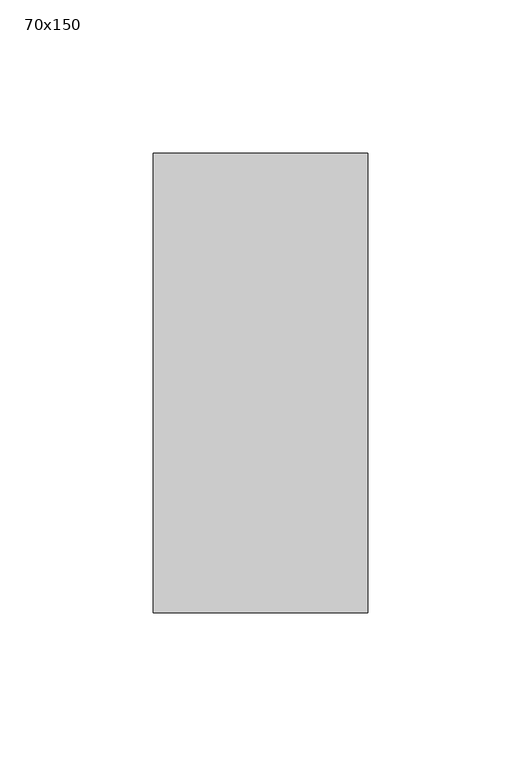
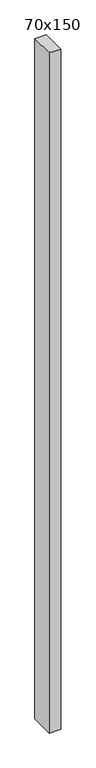
"""IFC4 building model written with IfcOpenShell, lengths in millimetres: member geometry, 70x150."""

from ifc_helpers import new_model, si_unit, frame, origin, place, context, project, spatial, polyline, outline, extrude, source, transform, mapped, element, save


def member_70x150_bca61de2(model_context):
    return source(origin(), model_context, "Body", "SweptSolid", [
        extrude(outline(polyline([(0.0, 75.0), (0.0, -75.0), (-70.0, -75.0), (-70.0, 75.0), (0.0, 75.0)])), frame((0.0, 0.0, -4378.3333333), z_axis=(0.0, 0.0, 1.0), x_axis=(1.0, 0.0, 0.0)), (0.0, 0.0, 1.0), 4378.3333333),
    ])


if __name__ == "__main__":
    model = new_model("IFC4")
    model_context = context("Model", 3, world=origin())
    ifc_project = project(units=[si_unit("LENGTHUNIT", "METRE", prefix="MILLI")], contexts=[model_context])
    site = spatial("IfcSite", under=ifc_project)
    building = spatial("IfcBuilding", under=site)
    placement = place(None, origin())
    member_70x150_shape = member_70x150_bca61de2(model_context)
    element("IfcMember", 1, ObjectType="70x150", at=placement, inside=building, context=model_context, shape_type="MappedRepresentation", body=[
        mapped(member_70x150_shape, transform((0.0, 0.0, 0.0), x_axis=(1.0, 0.0, 0.0), y_axis=(0.0, 1.0, 0.0), z_axis=(0.0, 0.0, 1.0))),
    ])
    save(model, "model.ifc")
